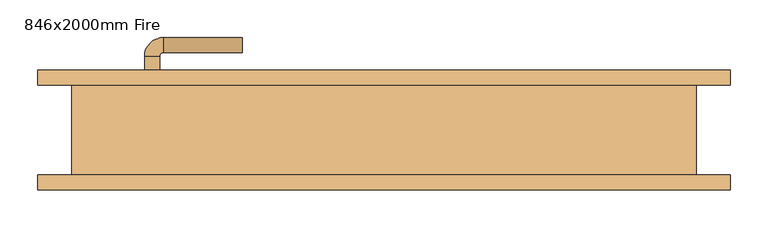
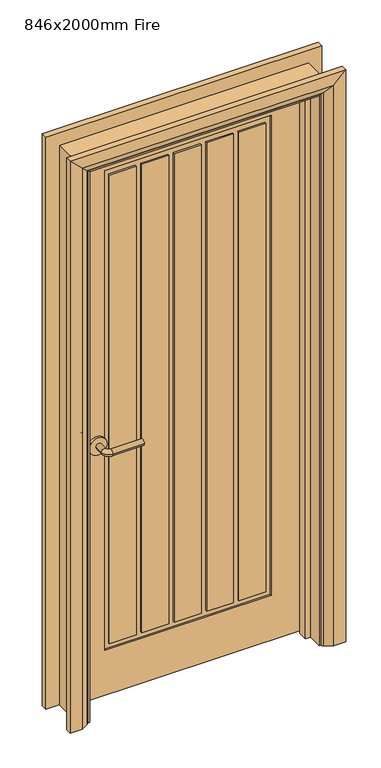
"""IFC4 building model written with IfcOpenShell, lengths in millimetres: door geometry, 846x2000mm Fire."""

from ifc_helpers import new_model, si_unit, point, frame, frame_2d, origin, place, context, project, spatial, polyline, circle_curve, ellipse_curve, trimmed, segment, composite_curve, outline, extrude, faceted_brep, source, transform, mapped, element, save
from ifc_brep_helpers import plane_surface, cylinder_surface, revolved_surface, advanced_brep


def door_846x2000mm_fire_c269fa8e(model_context):
    return source(origin(), model_context, "Body", "SolidModel", [
        advanced_brep(
        [(-318.0, 17.0, 900.0), (-298.0, 17.0, 900.0), (-298.0, -13.0, 900.0), (-318.0, -13.0, 900.0), (-293.0, -18.0, 900.0), (-293.0, -38.0, 900.0), (-188.0, -38.0, 900.0), (-188.0, -18.0, 900.0)],
        [
            (0, 1, circle_curve(frame((-308.0, 17.0, 900.0), z_axis=(0.0, 1.0, 0.0), x_axis=(1.0, 0.0, 0.0)), 10.0)),
            (1, 0, circle_curve(frame((-308.0, 17.0, 900.0), z_axis=(0.0, 1.0, 0.0), x_axis=(1.0, 0.0, 0.0)), 10.0)),
            (1, 2),
            (2, 3, circle_curve(frame((-308.0, -13.0, 900.0), z_axis=(0.0, 1.0, 0.0), x_axis=(1.0, 0.0, 0.0)), 10.0)),
            (3, 0),
            (3, 2, circle_curve(frame((-308.0, -13.0, 900.0), z_axis=(0.0, 1.0, 0.0), x_axis=(1.0, 0.0, 0.0)), 10.0)),
            (4, 5, circle_curve(frame((-293.0, -28.0, 900.0), z_axis=(-1.0, 0.0, 0.0), x_axis=(0.0, 1.0, 0.0)), 10.0)),
            (5, 3, circle_curve(frame((-293.0, -13.0, 900.0), z_axis=(0.0, 0.0, -1.0), x_axis=(-1.0, 0.0, 0.0)), 25.0)),
            (2, 4, circle_curve(frame((-293.0, -13.0, 900.0), z_axis=(0.0, 0.0, 1.0), x_axis=(-1.0, 0.0, 0.0)), 5.0)),
            (5, 4, circle_curve(frame((-293.0, -28.0, 900.0), z_axis=(-1.0, 0.0, 0.0), x_axis=(0.0, 1.0, 0.0)), 10.0)),
            (6, 7, circle_curve(frame((-188.0, -28.0, 900.0), z_axis=(1.0, 0.0, 0.0), x_axis=(0.0, 1.0, 0.0)), 10.0)),
            (7, 6, circle_curve(frame((-188.0, -28.0, 900.0), z_axis=(1.0, 0.0, 0.0), x_axis=(0.0, 1.0, 0.0)), 10.0)),
            (4, 7),
            (6, 5),
        ],
        [
            plane_surface(frame((-308.0, 17.0, 900.0), z_axis=(0.0, 1.0, 0.0), x_axis=(0.0, 0.0, 1.0))),
            cylinder_surface(frame((-308.0, 17.0, 900.0), z_axis=(0.0, 1.0, 0.0), x_axis=(1.0, 0.0, 0.0)), 10.0),
            revolved_surface(trimmed(ellipse_curve(frame((-308.0, -13.0, 900.0), z_axis=(0.0, -1.0, 0.0), x_axis=(1.0, 0.0, 0.0)), 10.0, 10.0), [point((-318.0, -13.0, 900.0))], [point((-298.0, -13.0, 900.0))], True, "CARTESIAN"), (-293.0, -13.0, 900.0), (0.0, 0.0, -1.0)),
            revolved_surface(trimmed(ellipse_curve(frame((-308.0, -13.0, 900.0), z_axis=(0.0, -1.0, 0.0), x_axis=(1.0, 0.0, 0.0)), 10.0, 10.0), [point((-298.0, -13.0, 900.0))], [point((-318.0, -13.0, 900.0))], True, "CARTESIAN"), (-293.0, -13.0, 900.0), (0.0, 0.0, -1.0)),
            plane_surface(frame((-188.0, -28.0, 900.0), z_axis=(1.0, 0.0, 0.0), x_axis=(0.0, 0.0, 1.0))),
            cylinder_surface(frame((-293.0, -28.0, 900.0), z_axis=(-1.0, 0.0, 0.0), x_axis=(0.0, 1.0, 0.0)), 10.0),
        ],
        [
            (0, [[1, 2]]),
            (1, [[3, 4, 5, -2]]),
            (1, [[-5, 6, -3, -1]]),
            (2, [[7, 8, -4, 9]]),
            (3, [[10, -9, -6, -8]]),
            (4, [[11, 12]]),
            (5, [[13, -11, 14, -7]]),
            (5, [[-14, -12, -13, -10]]),
        ],
    ),
        extrude(outline(composite_curve([segment(trimmed(circle_curve(frame_2d((900.0, -310.5)), 30.0), [point((900.0, -340.5))], [point((900.0, -280.5))], False, "CARTESIAN"), True, "CONTINUOUS"), segment(trimmed(circle_curve(frame_2d((900.0, -310.5)), 30.0), [point((900.0, -280.5))], [point((900.0, -340.5))], False, "CARTESIAN"), True, "CONTINUOUS")], self_intersect=False)), frame((0.0, 17.0, 0.0), z_axis=(0.0, 1.0, 0.0), x_axis=(0.0, 0.0, 1.0)), (0.0, 0.0, 1.0), 8.0),
        advanced_brep(
        [(-318.0, 68.0, 900.0), (-298.0, 68.0, 900.0), (-318.0, 98.0, 900.0), (-298.0, 98.0, 900.0), (-293.0, 103.0, 900.0), (-293.0, 123.0, 900.0), (-188.0, 123.0, 900.0), (-188.0, 103.0, 900.0)],
        [
            (0, 1, circle_curve(frame((-308.0, 68.0, 900.0), z_axis=(0.0, -1.0, 0.0), x_axis=(1.0, 0.0, 0.0)), 10.0)),
            (1, 0, circle_curve(frame((-308.0, 68.0, 900.0), z_axis=(0.0, -1.0, 0.0), x_axis=(1.0, 0.0, 0.0)), 10.0)),
            (0, 2),
            (2, 3, circle_curve(frame((-308.0, 98.0, 900.0), z_axis=(0.0, -1.0, 0.0), x_axis=(1.0, 0.0, 0.0)), 10.0)),
            (3, 1),
            (3, 2, circle_curve(frame((-308.0, 98.0, 900.0), z_axis=(0.0, -1.0, 0.0), x_axis=(1.0, 0.0, 0.0)), 10.0)),
            (4, 3, circle_curve(frame((-293.0, 98.0, 900.0), z_axis=(0.0, 0.0, 1.0), x_axis=(-1.0, 0.0, 0.0)), 5.0)),
            (2, 5, circle_curve(frame((-293.0, 98.0, 900.0), z_axis=(0.0, 0.0, -1.0), x_axis=(-1.0, 0.0, 0.0)), 25.0)),
            (5, 4, circle_curve(frame((-293.0, 113.0, 900.0), z_axis=(-1.0, 0.0, 0.0), x_axis=(0.0, -1.0, 0.0)), 10.0)),
            (4, 5, circle_curve(frame((-293.0, 113.0, 900.0), z_axis=(-1.0, 0.0, 0.0), x_axis=(0.0, -1.0, 0.0)), 10.0)),
            (6, 7, circle_curve(frame((-188.0, 113.0, 900.0), z_axis=(1.0, 0.0, 0.0), x_axis=(0.0, -1.0, 0.0)), 10.0)),
            (7, 6, circle_curve(frame((-188.0, 113.0, 900.0), z_axis=(1.0, 0.0, 0.0), x_axis=(0.0, -1.0, 0.0)), 10.0)),
            (5, 6),
            (7, 4),
        ],
        [
            plane_surface(frame((-308.0, 68.0, 900.0), z_axis=(0.0, -1.0, 0.0), x_axis=(0.0, 0.0, 1.0))),
            cylinder_surface(frame((-308.0, 68.0, 900.0), z_axis=(0.0, -1.0, 0.0), x_axis=(1.0, 0.0, 0.0)), 10.0),
            revolved_surface(trimmed(ellipse_curve(frame((-308.0, 98.0, 900.0), z_axis=(0.0, -1.0, 0.0), x_axis=(1.0, 0.0, 0.0)), 10.0, 10.0), [point((-318.0, 98.0, 900.0))], [point((-298.0, 98.0, 900.0))], True, "CARTESIAN"), (-293.0, 98.0, 900.0), (0.0, 0.0, -1.0)),
            revolved_surface(trimmed(ellipse_curve(frame((-308.0, 98.0, 900.0), z_axis=(0.0, -1.0, 0.0), x_axis=(1.0, 0.0, 0.0)), 10.0, 10.0), [point((-298.0, 98.0, 900.0))], [point((-318.0, 98.0, 900.0))], True, "CARTESIAN"), (-293.0, 98.0, 900.0), (0.0, 0.0, -1.0)),
            plane_surface(frame((-188.0, 113.0, 900.0), z_axis=(1.0, 0.0, 0.0), x_axis=(0.0, 0.0, 1.0))),
            cylinder_surface(frame((-293.0, 113.0, 900.0), z_axis=(-1.0, 0.0, 0.0), x_axis=(0.0, -1.0, 0.0)), 10.0),
        ],
        [
            (0, [[1, 2]]),
            (1, [[-1, 3, 4, 5]]),
            (1, [[-2, -5, 6, -3]]),
            (2, [[7, -4, 8, 9]]),
            (3, [[-8, -6, -7, 10]]),
            (4, [[11, 12]]),
            (5, [[-9, 13, -12, 14]]),
            (5, [[-10, -14, -11, -13]]),
        ],
    ),
        extrude(outline(composite_curve([segment(trimmed(circle_curve(frame_2d((900.0, -310.5)), 30.0), [point((900.0, -340.5))], [point((900.0, -280.5))], False, "CARTESIAN"), True, "CONTINUOUS"), segment(trimmed(circle_curve(frame_2d((900.0, -310.5)), 30.0), [point((900.0, -280.5))], [point((900.0, -340.5))], False, "CARTESIAN"), True, "CONTINUOUS")], self_intersect=False)), frame((0.0, 60.0, 0.0), z_axis=(0.0, 1.0, 0.0), x_axis=(0.0, 0.0, 1.0)), (0.0, 0.0, 1.0), 8.0),
        extrude(outline(polyline([(1941.0, -383.0), (8.0, -383.0), (8.0, 383.0), (1941.0, 383.0), (1941.0, -383.0)]), holes=[polyline([(1858.9867055, 271.9976627), (165.9867055, 271.9976627), (165.9867055, -282.7079267), (1858.9867055, -282.7079267), (1858.9867055, 271.9976627)])]), frame((0.0, 25.0, 0.0), z_axis=(0.0, 1.0, 0.0), x_axis=(0.0, 0.0, 1.0)), (0.0, 0.0, 1.0), 35.0),
        extrude(outline(polyline([(-177.7079267, 25.0), (-267.7079267, 25.0), (-267.7079267, 60.0), (-177.7079267, 60.0), (-177.7079267, 25.0)])), frame((0.0, 0.0, 184.7837756), z_axis=(0.0, 0.0, 1.0), x_axis=(1.0, 0.0, 0.0)), (0.0, 0.0, 1.0), 1653.0),
        extrude(outline(polyline([(254.0565448, 25.0), (164.0565448, 25.0), (164.0565448, 60.0), (254.0565448, 60.0), (254.0565448, 25.0)])), frame((0.0, 0.0, 184.7837756), z_axis=(0.0, 0.0, 1.0), x_axis=(1.0, 0.0, 0.0)), (0.0, 0.0, 1.0), 1653.0),
        extrude(outline(polyline([(38.174309, 25.0), (-51.825691, 25.0), (-51.825691, 60.0), (38.174309, 60.0), (38.174309, 25.0)])), frame((0.0, 0.0, 184.7837756), z_axis=(0.0, 0.0, 1.0), x_axis=(1.0, 0.0, 0.0)), (0.0, 0.0, 1.0), 1653.0),
        extrude(outline(polyline([(-69.7668089, 25.0), (-159.7668089, 25.0), (-159.7668089, 60.0), (-69.7668089, 60.0), (-69.7668089, 25.0)])), frame((0.0, 0.0, 184.7837756), z_axis=(0.0, 0.0, 1.0), x_axis=(1.0, 0.0, 0.0)), (0.0, 0.0, 1.0), 1653.0),
        extrude(outline(polyline([(146.1154269, 25.0), (56.1154269, 25.0), (56.1154269, 60.0), (146.1154269, 60.0), (146.1154269, 25.0)])), frame((0.0, 0.0, 184.7837756), z_axis=(0.0, 0.0, 1.0), x_axis=(1.0, 0.0, 0.0)), (0.0, 0.0, 1.0), 1653.0),
        advanced_brep(
        [(460.0, 80.0, 0.0), (460.0, 60.0, 0.0), (390.0, 60.0, 0.0), (394.0, 66.0, 0.0), (420.0, 80.0, 0.0), (460.0, 80.0, 2018.0), (460.0, 60.0, 2018.0), (-460.0, 60.0, 2018.0), (-460.0, 60.0, 0.0), (-390.0, 60.0, 0.0), (-390.0, 60.0, 1948.0), (390.0, 60.0, 1948.0), (394.0, 66.0, 1952.0), (420.0, 80.0, 1978.0), (-420.0, 80.0, 1978.0), (-420.0, 80.0, 0.0), (-460.0, 80.0, 0.0), (-460.0, 80.0, 2018.0), (-394.0, 66.0, 0.0), (-394.0, 66.0, 1952.0)],
        [
            (0, 1),
            (1, 2),
            (2, 3, circle_curve(frame((398.0, 59.0, 0.0), z_axis=(0.0, 0.0, -1.0), x_axis=(1.0, 0.0, 0.0)), 8.0622577)),
            (3, 4),
            (4, 0),
            (0, 5),
            (5, 6),
            (6, 1),
            (6, 7),
            (7, 8),
            (8, 9),
            (9, 10),
            (10, 11),
            (11, 2),
            (11, 12, ellipse_curve(frame((398.0, 59.0, 1956.0), z_axis=(0.7071067811865475, 0.0, -0.7071067811865475), x_axis=(-0.7071067811865474, 0.0, -0.7071067811865476)), 11.4017543, 8.0622577)),
            (12, 3),
            (12, 13),
            (13, 4),
            (13, 14),
            (14, 15),
            (15, 16),
            (16, 17),
            (17, 5),
            (7, 17),
            (16, 8),
            (15, 18),
            (18, 9, circle_curve(frame((-398.0, 59.0, 0.0), z_axis=(0.0, 0.0, -1.0), x_axis=(-1.0, 0.0, 0.0)), 8.0622577)),
            (19, 10, ellipse_curve(frame((-398.0, 59.0, 1956.0), z_axis=(-0.7071067811865475, 0.0, -0.7071067811865475), x_axis=(-0.7071067811865474, 0.0, 0.7071067811865476)), 11.4017543, 8.0622577)),
            (18, 19),
            (14, 19),
            (19, 12),
        ],
        [
            plane_surface(frame((390.0, 60.0, 0.0), z_axis=(0.0, 0.0, -1.0), x_axis=(0.0, -1.0, 0.0))),
            plane_surface(frame((460.0, 80.0, 0.0), z_axis=(1.0, 0.0, 0.0), x_axis=(0.0, 0.0, 1.0))),
            plane_surface(frame((460.0, 60.0, 0.0), z_axis=(0.0, -1.0, 0.0), x_axis=(0.0, 0.0, 1.0))),
            cylinder_surface(frame((398.0, 59.0, 0.0), z_axis=(0.0, 0.0, -1.0), x_axis=(1.0, 0.0, 0.0)), 8.0622577),
            plane_surface(frame((394.0, 66.0, 0.0), z_axis=(-0.4740998230350126, 0.880471099922178, 0.0), x_axis=(0.0, 0.0, 1.0))),
            plane_surface(frame((420.0, 80.0, 0.0), z_axis=(0.0, 1.0, 0.0), x_axis=(0.0, 0.0, 1.0))),
            plane_surface(frame((-460.0, 80.0, 2018.0), z_axis=(-1.0, 0.0, 0.0), x_axis=(0.0, 0.0, -1.0))),
            plane_surface(frame((-390.0, 60.0, 0.0), z_axis=(0.0, 0.0, -1.0), x_axis=(0.0, -1.0, 0.0))),
            cylinder_surface(frame((-398.0, 59.0, 1948.0), z_axis=(0.0, 0.0, 1.0), x_axis=(-1.0, 0.0, 0.0)), 8.0622577),
            plane_surface(frame((-394.0, 66.0, 1952.0), z_axis=(0.47409982303501824, 0.8804710999221749, 0.0), x_axis=(0.0, 0.0, -1.0))),
            plane_surface(frame((460.0, 80.0, 2018.0), z_axis=(0.0, 0.0, 1.0), x_axis=(-1.0, 0.0, 0.0))),
            cylinder_surface(frame((390.0, 59.0, 1956.0), z_axis=(1.0, 0.0, 0.0), x_axis=(0.0, 0.0, 1.0)), 8.0622577),
            plane_surface(frame((394.0, 66.0, 1952.0), z_axis=(0.0, 0.8804710999221764, -0.4740998230350154), x_axis=(-1.0, 0.0, 0.0))),
        ],
        [
            (0, [[1, 2, 3, 4, 5]]),
            (1, [[-1, 6, 7, 8]]),
            (2, [[-2, -8, 9, 10, 11, 12, 13, 14]]),
            (3, [[-3, -14, 15, 16]]),
            (4, [[-4, -16, 17, 18]]),
            (5, [[-5, -18, 19, 20, 21, 22, 23, -6]]),
            (6, [[24, -22, 25, -10]]),
            (7, [[-21, 26, 27, -11, -25]]),
            (8, [[28, -12, -27, 29]]),
            (9, [[30, -29, -26, -20]]),
            (10, [[-7, -23, -24, -9]]),
            (11, [[-15, -13, -28, 31]]),
            (12, [[-17, -31, -30, -19]]),
        ],
    ),
        extrude(outline(polyline([(0.0, -385.0), (0.0, -366.0), (1924.0, -366.0), (1924.0, 366.0), (0.0, 366.0), (0.0, 385.0), (1943.0, 385.0), (1943.0, -385.0), (0.0, -385.0)])), frame((0.0, -9.0, 0.0), z_axis=(0.0, 1.0, 0.0), x_axis=(0.0, 0.0, 1.0)), (0.0, 0.0, 1.0), 32.0),
        advanced_brep(
        [(-460.0, -80.0, 0.0), (-460.0, -60.0, 0.0), (-390.0, -60.0, 0.0), (-394.0, -66.0, 0.0), (-420.0, -80.0, 0.0), (-460.0, -80.0, 2018.0), (-460.0, -60.0, 2018.0), (-390.0, -60.0, 1948.0), (-394.0, -66.0, 1952.0), (-420.0, -80.0, 1978.0), (460.0, -80.0, 0.0), (420.0, -80.0, 0.0), (394.0, -66.0, 0.0), (390.0, -60.0, 0.0), (460.0, -60.0, 0.0), (460.0, -80.0, 2018.0), (420.0, -80.0, 1978.0), (394.0, -66.0, 1952.0), (390.0, -60.0, 1948.0), (460.0, -60.0, 2018.0)],
        [
            (0, 1),
            (1, 2),
            (2, 3, circle_curve(frame((-398.0, -59.0, 0.0), z_axis=(0.0, 0.0, -1.0), x_axis=(-1.0, 0.0, 0.0)), 8.0622577)),
            (3, 4),
            (4, 0),
            (0, 5),
            (5, 6),
            (6, 1),
            (6, 7),
            (7, 2),
            (7, 8, ellipse_curve(frame((-398.0, -59.0, 1956.0), z_axis=(-0.7071067811865475, 0.0, -0.7071067811865475), x_axis=(0.7071067811865474, 0.0, -0.7071067811865476)), 11.4017543, 8.0622577)),
            (8, 3),
            (8, 9),
            (9, 4),
            (9, 5),
            (10, 11),
            (11, 12),
            (12, 13, circle_curve(frame((398.0, -59.0, 0.0), z_axis=(0.0, 0.0, -1.0), x_axis=(1.0, 0.0, 0.0)), 8.0622577)),
            (13, 14),
            (14, 10),
            (15, 16),
            (16, 11),
            (10, 15),
            (16, 17),
            (17, 12),
            (17, 18, ellipse_curve(frame((398.0, -59.0, 1956.0), z_axis=(0.7071067811865475, 0.0, -0.7071067811865475), x_axis=(0.7071067811865474, 0.0, 0.7071067811865476)), 11.4017543, 8.0622577)),
            (18, 13),
            (18, 19),
            (19, 14),
            (19, 15),
            (5, 15),
            (19, 6),
            (18, 7),
            (17, 8),
            (16, 9),
        ],
        [
            plane_surface(frame((-390.0, -132.8010989, 0.0), z_axis=(0.0, 0.0, -1.0), x_axis=(1.0, 0.0, 0.0))),
            plane_surface(frame((-460.0, -80.0, 0.0), z_axis=(-1.0, 0.0, 0.0), x_axis=(0.0, 0.0, 1.0))),
            plane_surface(frame((-460.0, -60.0, 0.0), z_axis=(0.0, 1.0, 0.0), x_axis=(0.0, 0.0, 1.0))),
            cylinder_surface(frame((-398.0, -59.0, 0.0), z_axis=(0.0, 0.0, -1.0), x_axis=(-1.0, 0.0, 0.0)), 8.0622577),
            plane_surface(frame((-394.0, -66.0, 0.0), z_axis=(0.4740998230350183, -0.8804710999221749, 0.0), x_axis=(0.0, 0.0, 1.0))),
            plane_surface(frame((-420.0, -80.0, 0.0), z_axis=(0.0, -1.0, 0.0), x_axis=(0.0, 0.0, 1.0))),
            plane_surface(frame((390.0, -132.8010989, 0.0), z_axis=(0.0, 0.0, -1.0), x_axis=(-1.0, 0.0, 0.0))),
            plane_surface(frame((420.0, -80.0, 1978.0), z_axis=(0.0, -1.0, 0.0), x_axis=(0.0, 0.0, -1.0))),
            plane_surface(frame((394.0, -66.0, 1952.0), z_axis=(-0.4740998230350183, -0.8804710999221749, 0.0), x_axis=(0.0, 0.0, -1.0))),
            cylinder_surface(frame((398.0, -59.0, 1948.0), z_axis=(0.0, 0.0, 1.0), x_axis=(1.0, 0.0, 0.0)), 8.0622577),
            plane_surface(frame((460.0, -60.0, 2018.0), z_axis=(0.0, 1.0, 0.0), x_axis=(0.0, 0.0, -1.0))),
            plane_surface(frame((460.0, -80.0, 2018.0), z_axis=(1.0, 0.0, 0.0), x_axis=(0.0, 0.0, -1.0))),
            plane_surface(frame((-460.0, -80.0, 2018.0), z_axis=(0.0, 0.0, 1.0), x_axis=(1.0, 0.0, 0.0))),
            plane_surface(frame((-460.0, -60.0, 2018.0), z_axis=(0.0, 1.0, 0.0), x_axis=(1.0, 0.0, 0.0))),
            cylinder_surface(frame((-390.0, -59.0, 1956.0), z_axis=(-1.0, 0.0, 0.0), x_axis=(0.0, 0.0, 1.0)), 8.0622577),
            plane_surface(frame((-394.0, -66.0, 1952.0), z_axis=(0.0, -0.8804710999221749, -0.4740998230350183), x_axis=(1.0, 0.0, 0.0))),
            plane_surface(frame((-420.0, -80.0, 1978.0), z_axis=(0.0, -1.0, 0.0), x_axis=(1.0, 0.0, 0.0))),
        ],
        [
            (0, [[1, 2, 3, 4, 5]]),
            (1, [[-1, 6, 7, 8]]),
            (2, [[-2, -8, 9, 10]]),
            (3, [[-3, -10, 11, 12]]),
            (4, [[-4, -12, 13, 14]]),
            (5, [[-5, -14, 15, -6]]),
            (6, [[16, 17, 18, 19, 20]]),
            (7, [[21, 22, -16, 23]]),
            (8, [[24, 25, -17, -22]]),
            (9, [[26, 27, -18, -25]]),
            (10, [[28, 29, -19, -27]]),
            (11, [[30, -23, -20, -29]]),
            (12, [[-7, 31, -30, 32]]),
            (13, [[-9, -32, -28, 33]]),
            (14, [[-11, -33, -26, 34]]),
            (15, [[-13, -34, -24, 35]]),
            (16, [[-15, -35, -21, -31]]),
        ],
    ),
        faceted_brep([(-383.0, 60.0, 0.0), (-383.0, -60.0, 0.0), (-415.0, -60.0, 0.0), (-415.0, 60.0, 0.0), (-383.0, 60.0, 1941.0), (-383.0, -60.0, 1941.0), (-415.0, -60.0, 1973.0), (-415.0, 60.0, 1973.0), (383.0, 60.0, 0.0), (415.0, 60.0, 0.0), (415.0, -60.0, 0.0), (383.0, -60.0, 0.0), (383.0, 60.0, 1941.0), (415.0, 60.0, 1973.0), (415.0, -60.0, 1973.0), (383.0, -60.0, 1941.0)], [[[0, 1, 2, 3]], [[1, 0, 4, 5]], [[2, 1, 5, 6]], [[3, 2, 6, 7]], [[0, 3, 7, 4]], [[8, 9, 10, 11]], [[12, 13, 9, 8]], [[13, 14, 10, 9]], [[14, 15, 11, 10]], [[15, 12, 8, 11]], [[5, 4, 12, 15]], [[6, 5, 15, 14]], [[7, 6, 14, 13]], [[4, 7, 13, 12]]]),
        extrude(outline(polyline([(271.9976627, 31.0), (-282.7079267, 31.0), (-282.7079267, 48.0), (271.9976627, 48.0), (271.9976627, 31.0)])), frame((0.0, 0.0, 165.9867055), z_axis=(0.0, 0.0, 1.0), x_axis=(1.0, 0.0, 0.0)), (0.0, 0.0, 1.0), 1693.0),
    ])


if __name__ == "__main__":
    model = new_model("IFC4")
    model_context = context("Model", 3, world=origin())
    ifc_project = project(units=[si_unit("LENGTHUNIT", "METRE", prefix="MILLI")], contexts=[model_context])
    site = spatial("IfcSite", under=ifc_project)
    building = spatial("IfcBuilding", under=site)
    placement = place(None, origin())
    door_846x2000mm_fire_shape = door_846x2000mm_fire_c269fa8e(model_context)
    element("IfcDoor", 1, ObjectType="846x2000mm Fire", at=placement, inside=building, context=model_context, shape_type="MappedRepresentation", body=[
        mapped(door_846x2000mm_fire_shape, transform((0.0, 0.0, 0.0), x_axis=(1.0, 0.0, 0.0), y_axis=(0.0, 1.0, 0.0), z_axis=(0.0, 0.0, 1.0))),
    ])
    save(model, "model.ifc")
